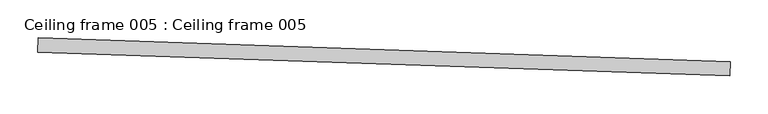
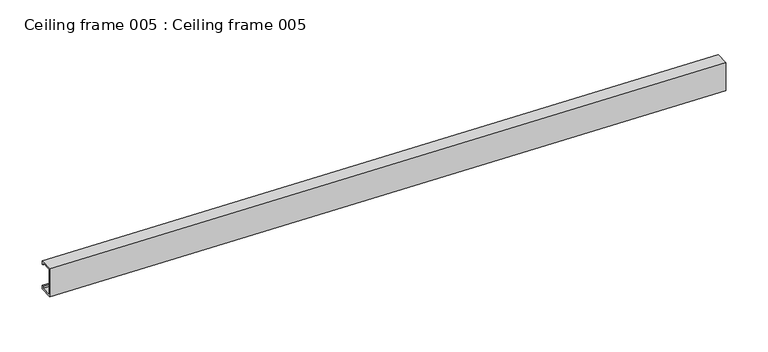
"""IFC4 building model written with IfcOpenShell, lengths in millimetres: proxy geometry, Ceiling frame 005 : Ceiling frame 005."""

import ifcopenshell
import ifcopenshell.guid

model = None  # the IFC model being written
_history = None  # IfcOwnerHistory: only IFC2X3 demands one
_inside = {}  # id of a spatial element -> (the spatial element, [elements in it])
_under = {}  # id of a project, library or spatial element -> (it, [spatial elements below it])
_declared = {}  # id of a project -> (the project, [libraries it declares])
_typed = {}  # id of a type object -> (the type object, [elements of that type])
_made_of = {}  # id of a material, layer set ... -> (it, [elements and type objects made of it])


def new_model(schema):
    """Start an empty IFC model of exactly this schema.

    Asked for "IFC4X3", IfcOpenShell would pick the latest addendum, in which some entities
    have other attributes; the version numbers below select the first issue.
    IFC2X3 requires an IfcOwnerHistory on every rooted entity: one is made here for all.
    """
    global model, _history
    if schema == "IFC4X3":
        model = ifcopenshell.file(schema_version=(4, 3, 0, 0))
    else:
        model = ifcopenshell.file(schema=schema)
    _inside.clear()
    _under.clear()
    _declared.clear()
    _typed.clear()
    _made_of.clear()
    _history = None
    if model.schema == "IFC2X3":
        org = make("IfcOrganization", Name="unknown")
        user = make(
            "IfcPersonAndOrganization",
            ThePerson=make("IfcPerson", FamilyName="unknown"),
            TheOrganization=org,
        )
        app = make(
            "IfcApplication",
            ApplicationDeveloper=org,
            Version="unknown",
            ApplicationFullName="unknown",
            ApplicationIdentifier="unknown",
        )
        _history = make(
            "IfcOwnerHistory",
            OwningUser=user,
            OwningApplication=app,
            ChangeAction="ADDED",
            CreationDate=0,
        )
    return model


def make(cls, **values):
    """One entity of the class cls with the attributes given. An attribute that is None is left unset."""
    return model.create_entity(
        cls, **{name: value for name, value in values.items() if value is not None}
    )


def rooted(cls, **values):
    """An entity with a GlobalId (a new one), such as an element, a storey or a relation."""
    return make(cls, GlobalId=ifcopenshell.guid.new(), OwnerHistory=_history, **values)


def si_unit(unit_type, name, prefix=None):
    """IfcSIUnit, for example si_unit("LENGTHUNIT", "METRE", prefix="MILLI")."""
    return make("IfcSIUnit", UnitType=unit_type, Prefix=prefix, Name=name)


def assignment(units):
    """IfcUnitAssignment: the units of a project."""
    return None if units is None else make("IfcUnitAssignment", Units=units)


def point(xyz):
    """IfcCartesianPoint."""
    return None if xyz is None else make("IfcCartesianPoint", Coordinates=xyz)


def direction(xyz):
    """IfcDirection."""
    return None if xyz is None else make("IfcDirection", DirectionRatios=xyz)


def frame(location, z_axis=None, x_axis=None):
    """IfcAxis2Placement3D, a coordinate frame: its origin and axes. An axis left out is left unset."""
    return make(
        "IfcAxis2Placement3D",
        Location=point(location),
        Axis=direction(z_axis),
        RefDirection=direction(x_axis),
    )


def origin():
    """The frame at (0, 0, 0) with its axes left unset."""
    return frame((0.0, 0.0, 0.0))


def place(relative_to, where):
    """IfcLocalPlacement: puts the frame where relative to a parent placement (None: the world)."""
    return make(
        "IfcLocalPlacement", PlacementRelTo=relative_to, RelativePlacement=where
    )


def context(
    kind, dimensions, precision=None, world=None, true_north=None, identifier=None
):
    """IfcGeometricRepresentationContext, for example the 3D "Model" context."""
    return make(
        "IfcGeometricRepresentationContext",
        ContextIdentifier=identifier,
        ContextType=kind,
        CoordinateSpaceDimension=dimensions,
        Precision=precision,
        WorldCoordinateSystem=world,
        TrueNorth=true_north,
    )


def project(units=None, contexts=None):
    """IfcProject with its units and contexts."""
    return rooted(
        "IfcProject",
        Name="project",
        RepresentationContexts=contexts,
        UnitsInContext=assignment(units),
    )


def spatial(cls, under=None, at=None, **own):
    """A site, building, storey or space (cls), placed at a placement, below another one or the project."""
    s = rooted(cls, ObjectPlacement=at, **own)
    if under is not None:
        _under.setdefault(under.id(), (under, []))[1].append(s)
    return s


def polyline(points):
    """IfcPolyline through the points."""
    return make("IfcPolyline", Points=[point(p) for p in points])


def outline(outer, holes=None, kind="AREA"):
    """IfcArbitraryClosedProfileDef: a profile drawn as a closed curve; with holes, ...WithVoids."""
    if holes is None:
        return make("IfcArbitraryClosedProfileDef", ProfileType=kind, OuterCurve=outer)
    return make(
        "IfcArbitraryProfileDefWithVoids",
        ProfileType=kind,
        OuterCurve=outer,
        InnerCurves=holes,
    )


def extrude(swept, where, along, depth):
    """IfcExtrudedAreaSolid: the profile swept, set in the frame where, extruded along a direction by depth."""
    return make(
        "IfcExtrudedAreaSolid",
        SweptArea=swept,
        Position=where,
        ExtrudedDirection=direction(along),
        Depth=depth,
    )


def shape(context_of_items, identifier, shape_type, items):
    """IfcShapeRepresentation: the items that make up one representation, for example the "Body"."""
    return make(
        "IfcShapeRepresentation",
        ContextOfItems=context_of_items,
        RepresentationIdentifier=identifier,
        RepresentationType=shape_type,
        Items=items,
    )


def source(mapping_origin, context_of_items, identifier, shape_type, items):
    """IfcRepresentationMap: a shape defined once, which mapped items show again and again."""
    return make(
        "IfcRepresentationMap",
        MappingOrigin=mapping_origin,
        MappedRepresentation=shape(context_of_items, identifier, shape_type, items),
    )


def transform(
    local_origin,
    x_axis=None,
    y_axis=None,
    z_axis=None,
    scale=None,
    scale2=None,
    scale3=None,
    uniform=True,
):
    """IfcCartesianTransformationOperator3D, or its non-uniform kind. x_axis, y_axis, z_axis: its Axis1, 2, 3."""
    if uniform:
        return make(
            "IfcCartesianTransformationOperator3D",
            Axis1=direction(x_axis),
            Axis2=direction(y_axis),
            LocalOrigin=point(local_origin),
            Scale=scale,
            Axis3=direction(z_axis),
        )
    return make(
        "IfcCartesianTransformationOperator3DnonUniform",
        Axis1=direction(x_axis),
        Axis2=direction(y_axis),
        LocalOrigin=point(local_origin),
        Scale=scale,
        Axis3=direction(z_axis),
        Scale2=scale2,
        Scale3=scale3,
    )


def mapped(mapping_source, mapping_target):
    """IfcMappedItem: shows the shape of a source again, moved by a transform."""
    return make(
        "IfcMappedItem", MappingSource=mapping_source, MappingTarget=mapping_target
    )


def made_of(thing, what):
    """Note that an element or type object is made of a material, layer set ...; save() writes the relation."""
    if what is not None:
        _made_of.setdefault(what.id(), (what, []))[1].append(thing)
    return thing


def element(
    cls,
    number,
    at=None,
    inside=None,
    cuts=None,
    type_object=None,
    material=None,
    context=None,
    identifier="Body",
    shape_type=None,
    held_by="IfcProductDefinitionShape",
    body=None,
    shapes=None,
    **own,
):
    """One element of the class cls, such as IfcWall. Its Tag is "e" and its number.

    at: its placement. inside: the storey or other place that contains it. cuts: it is an
    opening in that element (IfcRelVoidsElement). A single representation is given by context,
    identifier, shape_type and body (its items); several are given by shapes. held_by: the class
    of the entity that holds the representations. save() writes the other relations.
    """
    e = rooted(cls, Tag="e%d" % number, ObjectPlacement=at, **own)
    if body is not None:
        shapes = [shape(context, identifier, shape_type, body)]
    if shapes is not None:
        e.Representation = make(held_by, Representations=shapes)
    if inside is not None:
        _inside.setdefault(inside.id(), (inside, []))[1].append(e)
    if cuts is not None:
        rooted(
            "IfcRelVoidsElement", RelatingBuildingElement=cuts, RelatedOpeningElement=e
        )
    if type_object is not None:
        _typed.setdefault(type_object.id(), (type_object, []))[1].append(e)
    return made_of(e, material)


def aggregate(whole, parts):
    """IfcRelAggregates: a whole, such as a stair, and the parts it consists of."""
    return rooted("IfcRelAggregates", RelatingObject=whole, RelatedObjects=parts)


def save(model, path):
    """Write the relations noted so far, then the file.

    IfcRelAggregates (storeys below a building ...), IfcRelContainedInSpatialStructure (elements
    in a storey), IfcRelDefinesByType, IfcRelAssociatesMaterial and IfcRelDeclares: one each for
    every whole, place, type object, material and project.
    """
    for whole, parts in _under.values():
        aggregate(whole, parts)
    for where, things in _inside.values():
        rooted(
            "IfcRelContainedInSpatialStructure",
            RelatedElements=things,
            RelatingStructure=where,
        )
    for kind, things in _typed.values():
        rooted("IfcRelDefinesByType", RelatedObjects=things, RelatingType=kind)
    for what, things in _made_of.values():
        rooted("IfcRelAssociatesMaterial", RelatedObjects=things, RelatingMaterial=what)
    for by, libraries in _declared.values():
        rooted("IfcRelDeclares", RelatingContext=by, RelatedDefinitions=libraries)
    model.write(path)


def ceiling_frame_005_ceiling_frame_005_afd866a5(model_context):
    return source(origin(), model_context, "Body", "SweptSolid", [
        extrude(outline(polyline([(1.8222659, 0.0), (1.8222659, -4.7988281), (-17.0253903, -4.7988281), (-17.0253903, 35.8222645), (1.8222635, 35.8222645), (1.8222635, 31.0234375), (-1.9e-06, 31.0234375), (-1.9e-06, 33.999999), (-15.2031248, 33.999999), (-15.2031248, -2.9765626), (0.0, -2.9765626), (0.0, 0.0), (1.8222659, 0.0)])), frame((34292.3283686, -17289.4040251, 3411.3604798), z_axis=(-0.9994149479163345, 0.034201781845258176, 0.0), x_axis=(0.034201781845258176, 0.9994149479163345, 0.0)), (0.0, 0.0, 1.0), 914.3999924),
    ])


if __name__ == "__main__":
    model = new_model("IFC4")
    model_context = context("Model", 3, world=origin())
    ifc_project = project(units=[si_unit("LENGTHUNIT", "METRE", prefix="MILLI")], contexts=[model_context])
    site = spatial("IfcSite", under=ifc_project)
    building = spatial("IfcBuilding", under=site)
    placement = place(None, origin())
    ceiling_frame_005_ceiling_frame_005_shape = ceiling_frame_005_ceiling_frame_005_afd866a5(model_context)
    element("IfcBuildingElementProxy", 1, Name="Ceiling frame 005 : Ceiling frame 005", ObjectType="Ceiling frame 005 : Ceiling frame 005", at=placement, inside=building, context=model_context, shape_type="MappedRepresentation", body=[
        mapped(ceiling_frame_005_ceiling_frame_005_shape, transform((0.0, 0.0, 0.0), x_axis=(1.0, 0.0, 0.0), y_axis=(0.0, 1.0, 0.0), z_axis=(0.0, 0.0, 1.0))),
    ])
    save(model, "model.ifc")
